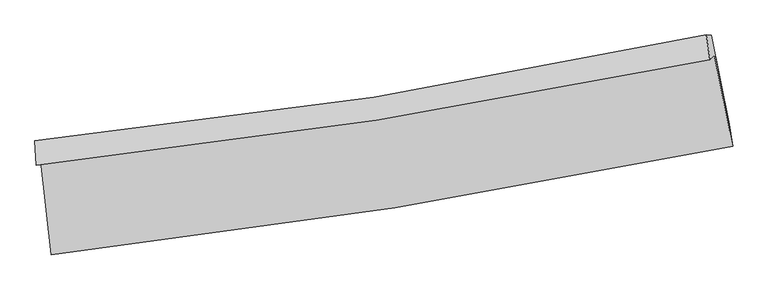
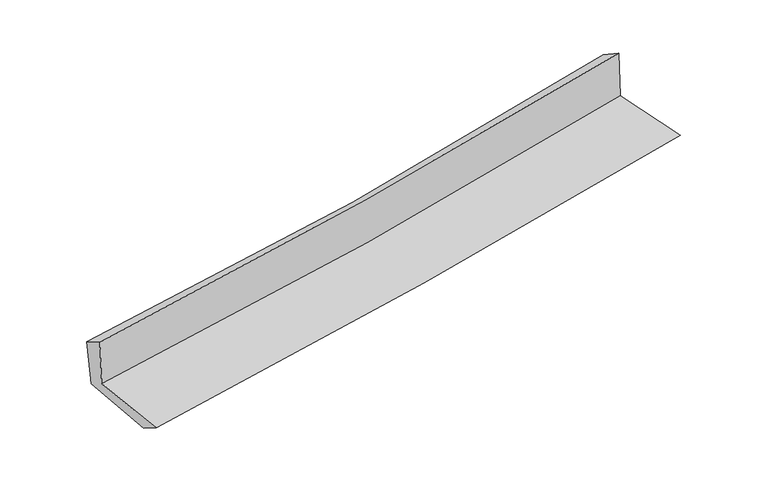
"""IFC4 building model written with IfcOpenShell, lengths in millimetres: proxy geometry."""

from ifc_helpers import new_model, si_unit, frame, origin, place, context, project, spatial, source, transform, mapped, element, save
from ifc_brep_helpers import plane_surface, spline_curve, spline_surface, advanced_brep


def generic_models_bc821981(model_context):
    return source(origin(), model_context, "Body", "AdvancedBrep", [
        advanced_brep(
        [(-2469.9493527, -1860.8286255, 1662.16081), (-2394.4047549, -2538.7852991, 1645.2431947), (2540.3043576, -1755.0220992, 2089.6020595), (2407.9513815, -1094.6524234, 2092.8133752), (-2502.4690721, -1892.6143606, 2066.7129736), (2375.5877257, -1127.4141, 2507.4033202), (-2513.028154, -1714.3055719, 1966.5165511), (2350.4314031, -947.6569733, 2392.4597619), (-2477.5598674, -1722.0044729, 1577.2910958), (2386.5866767, -950.9921681, 2014.3752898), (-2403.8413254, -2368.288207, 1542.0186479), (2517.9065736, -1595.1790024, 1987.6943644)],
        [
            (0, 1),
            (1, 2, spline_curve(3, [(-2394.4047549, -2538.7852991, 1645.2431947), (-1562.468061392, -2444.44424643, 1728.46386759), (-732.911217312, -2331.475655228, 1807.292866518), (911.937439275, -2069.795606161, 1955.312136217), (1727.28363272, -1921.50979721, 2024.602758748), (2540.3043576, -1755.0220992, 2089.6020595)], [4, 2, 4], [0.0, 8.230168269867502, 16.365761270388603])),
            (2, 3),
            (3, 0, spline_curve(3, [(2407.9513815, -1094.6524234, 2092.8133752), (1606.444777529, -1267.340514734, 2027.000259419), (801.568389016, -1417.295742709, 1958.429406802), (-824.319720306, -1673.21941565, 1814.943041103), (-1645.410243064, -1778.656255205, 1739.963038856), (-2469.9493527, -1860.8286255, 1662.16081)], [4, 2, 4], [0.0, 8.135593000521101, 16.365761270388603])),
            (4, 0),
            (3, 5),
            (5, 4, spline_curve(3, [(2375.5877257, -1127.4141, 2507.4033202), (1572.977843011, -1293.217686508, 2440.253548986), (767.533771617, -1439.630378323, 2370.183664557), (-858.418883709, -1695.150586071, 2223.355168681), (-1678.993744992, -1803.804647541, 2146.528271075), (-2502.4690721, -1892.6143606, 2066.7129736)], [4, 2, 4], [0.0, 8.08770037660659, 16.269419276689163])),
            (6, 4),
            (5, 7),
            (7, 6, spline_curve(3, [(2350.4314031, -947.6569733, 2392.4597619), (1552.462288517, -1121.626945123, 2318.812018887), (750.554428564, -1272.265729502, 2246.689138359), (-870.506649769, -1528.360859883, 2104.672409355), (-1689.751975633, -1633.271608153, 2034.814219662), (-2513.028154, -1714.3055719, 1966.5165511)], [4, 2, 4], [0.0, 8.075889717402509, 16.245660660818444])),
            (8, 6),
            (7, 9),
            (9, 8, spline_curve(3, [(2386.5866767, -950.9921681, 2014.3752898), (1587.844707245, -1126.777019116, 1948.446809221), (785.491597399, -1278.687938756, 1879.288148546), (-835.806137809, -1536.250329707, 1733.668954464), (-1654.835209518, -1641.343511653, 1657.132884019), (-2477.5598674, -1722.0044729, 1577.2910958)], [4, 2, 4], [0.0, 8.065956656227328, 16.225679067851985])),
            (10, 8),
            (9, 11),
            (11, 10, spline_curve(3, [(2517.9065736, -1595.1790024, 1987.6943644), (1707.605874254, -1761.835028737, 1919.533942263), (894.695206769, -1909.327886951, 1848.545152004), (-745.826392393, -2167.479083531, 1700.052721003), (-1573.498357675, -2277.68929372, 1622.482938814), (-2403.8413254, -2368.288207, 1542.0186479)], [4, 2, 4], [0.0, 8.114290953656173, 16.322909542980444])),
            (1, 10),
            (11, 2),
        ],
        [
            spline_surface(3, 3, [[(-2469.9493527, -1860.8286255, 1662.16081), (-1645.410243128, -1778.656255115, 1739.96303873), (-824.319720318, -1673.21941565, 1814.943041108), (801.568389028, -1417.295742709, 1958.429406797), (1606.44477762, -1267.340514832, 2027.000259475), (2407.9513815, -1094.6524234, 2092.8133752)], [(-2444.767820099, -2086.814183359, 1656.521604893), (-1617.762849234, -2000.585585509, 1736.12998166), (-793.850219324, -1892.638162189, 1812.392982956), (838.358072454, -1634.795697167, 1957.390316582), (1646.724395971, -1485.396942281, 2026.201092517), (2452.069040176, -1314.775648667, 2091.742936615)], [(-2419.586287501, -2312.799741241, 1650.882399807), (-1590.115455343, -2222.514915927, 1732.296924613), (-763.380718334, -2112.056908747, 1809.842924771), (875.147755876, -1852.295651645, 1956.351226333), (1687.004014395, -1703.453369729, 2025.401925614), (2496.186698924, -1534.898873933, 2090.672498085)], [(-2394.4047549, -2538.7852991, 1645.2431947), (-1562.468061449, -2444.444246321, 1728.463867544), (-732.91121734, -2331.475655286, 1807.292866619), (911.937439302, -2069.795606103, 1955.312136118), (1727.283632745, -1921.509797179, 2024.602758655), (2540.3043576, -1755.0220992, 2089.6020595)]], [4, 4], [4, 2, 4], [0.0, 2.175645469490443], [0.0, 8.230168269867502, 16.365761270388603]),
            spline_surface(3, 3, [[(-2502.4690721, -1892.6143606, 2066.7129736), (-1678.993745025, -1803.804647524, 2146.528271134), (-858.41888374, -1695.150585949, 2223.355168785), (767.533771648, -1439.630378443, 2370.183664454), (1572.977842997, -1293.217686475, 2440.253548992), (2375.5877257, -1127.4141, 2507.4033202)], [(-2491.629165625, -1882.019115572, 1931.862252398), (-1667.799244384, -1795.421850059, 2011.006526997), (-847.052495937, -1687.84019585, 2087.217792877), (778.878644103, -1432.185499866, 2232.932245219), (1584.133487895, -1284.591962581, 2302.502452484), (2386.375610991, -1116.493541121, 2369.206671864)], [(-2480.789259175, -1871.423870528, 1797.011531202), (-1656.604743768, -1787.039052579, 1875.484782867), (-835.686108121, -1680.529805749, 1951.080417016), (790.223516572, -1424.740621286, 2095.680826032), (1595.289132722, -1275.966238725, 2164.751355984), (2397.163496209, -1105.572982279, 2231.010023536)], [(-2469.9493527, -1860.8286255, 1662.16081), (-1645.410243128, -1778.656255115, 1739.96303873), (-824.319720318, -1673.21941565, 1814.943041108), (801.568389028, -1417.295742709, 1958.429406797), (1606.44477762, -1267.340514832, 2027.000259475), (2407.9513815, -1094.6524234, 2092.8133752)]], [4, 4], [4, 2, 4], [0.0, 1.3519398294231708], [0.0, 8.181718900082574, 16.269419276689163]),
            spline_surface(3, 3, [[(-2513.028154, -1714.3055719, 1966.5165511), (-1689.751975682, -1633.27160803, 2034.814219566), (-870.506649875, -1528.360859776, 2104.672409353), (750.554428668, -1272.265729608, 2246.68913836), (1552.462288601, -1121.626945011, 2318.812018854), (2350.4314031, -947.6569733, 2392.4597619)], [(-2509.508460037, -1773.741834796, 1999.915358608), (-1686.1658988, -1690.115954524, 2072.052236764), (-866.477394489, -1583.957435157, 2144.233329157), (756.214209669, -1328.053945877, 2287.853980384), (1559.300806732, -1178.823858842, 2359.29252892), (2358.816843966, -1007.576015543, 2430.774281354)], [(-2505.988766063, -1833.178097704, 2033.314166092), (-1682.579821907, -1746.960301029, 2109.290253936), (-862.448139126, -1639.554010568, 2183.794248982), (761.873990647, -1383.842162175, 2329.01882243), (1566.139324866, -1236.020772644, 2399.773038926), (2367.202284834, -1067.495057757, 2469.088800746)], [(-2502.4690721, -1892.6143606, 2066.7129736), (-1678.993745025, -1803.804647524, 2146.528271134), (-858.41888374, -1695.150585949, 2223.355168785), (767.533771648, -1439.630378443, 2370.183664454), (1572.977842997, -1293.217686475, 2440.253548992), (2375.5877257, -1127.4141, 2507.4033202)]], [4, 4], [4, 2, 4], [0.0, 0.6785855102561864], [0.0, 8.169770943415935, 16.245660660818444]),
            spline_surface(3, 3, [[(-2477.5598674, -1722.0044729, 1577.2910958), (-1654.835209456, -1641.343511604, 1657.132884072), (-835.806137824, -1536.250329687, 1733.668954553), (785.491597414, -1278.687938775, 1879.288148459), (1587.844707159, -1126.777019099, 1948.446809325), (2386.5866767, -950.9921681, 2014.3752898)], [(-2489.382629583, -1719.438172577, 1707.032914239), (-1666.474131514, -1638.65287709, 1783.026662575), (-847.372975178, -1533.620506396, 1857.336772839), (773.845874495, -1276.547202398, 2001.755145112), (1576.050567642, -1125.060327742, 2071.901879174), (2374.534918836, -949.880436505, 2140.403447172)], [(-2501.205391817, -1716.871872223, 1836.774732661), (-1678.113053624, -1635.962242544, 1908.920441063), (-858.93981252, -1530.990683068, 1981.004591067), (762.200151588, -1274.406465985, 2124.222141708), (1564.256428118, -1123.343636369, 2195.356949005), (2362.483160964, -948.768704895, 2266.431604528)], [(-2513.028154, -1714.3055719, 1966.5165511), (-1689.751975682, -1633.27160803, 2034.814219566), (-870.506649875, -1528.360859776, 2104.672409353), (750.554428668, -1272.265729608, 2246.68913836), (1552.462288601, -1121.626945011, 2318.812018854), (2350.4314031, -947.6569733, 2392.4597619)]], [4, 4], [4, 2, 4], [0.0, 1.2169642862754118], [0.0, 8.159722411624657, 16.225679067851985]),
            spline_surface(3, 3, [[(-2403.8413254, -2368.288207, 1542.0186479), (-1573.498357782, -2277.689293693, 1622.482938866), (-745.826392399, -2167.479083663, 1700.052720967), (894.695206775, -1909.327886821, 1848.54515204), (1707.605874387, -1761.835028695, 1919.533942141), (2517.9065736, -1595.1790024, 1987.6943644)], [(-2428.414172746, -2152.860295624, 1553.776130521), (-1600.610641686, -2065.574032987, 1634.032920589), (-775.819640894, -1957.069499005, 1711.258132143), (858.294003634, -1699.114570806, 1858.792817494), (1667.685485291, -1550.149025505, 1929.171564534), (2474.133274613, -1380.450057642, 1996.588006199)], [(-2452.987020054, -1937.432384276, 1565.533613179), (-1627.722925552, -1853.45877231, 1645.582902348), (-805.812889328, -1746.659914345, 1722.463543376), (821.892800555, -1488.90125479, 1869.040483005), (1627.765096255, -1338.463022289, 1938.809186932), (2430.359975687, -1165.721112858, 2005.481648001)], [(-2477.5598674, -1722.0044729, 1577.2910958), (-1654.835209456, -1641.343511604, 1657.132884072), (-835.806137824, -1536.250329687, 1733.668954553), (785.491597414, -1278.687938775, 1879.288148459), (1587.844707159, -1126.777019099, 1948.446809325), (2386.5866767, -950.9921681, 2014.3752898)]], [4, 4], [4, 2, 4], [0.0, 2.0982402501765245], [0.0, 8.20861858932427, 16.322909542980444]),
            spline_surface(3, 3, [[(-2394.4047549, -2538.7852991, 1645.2431947), (-1562.468061449, -2444.444246321, 1728.463867544), (-732.91121734, -2331.475655286, 1807.292866619), (911.937439302, -2069.795606103, 1955.312136118), (1727.283632745, -1921.509797179, 2024.602758655), (2540.3043576, -1755.0220992, 2089.6020595)], [(-2397.55027841, -2481.952935072, 1610.835012441), (-1566.144826903, -2388.859262117, 1693.136891326), (-737.216275673, -2276.810131415, 1771.546151413), (906.19002848, -2016.306366346, 1919.723141437), (1720.724379978, -1868.284874338, 1989.579819814), (2532.838429619, -1701.74106692, 2055.632827797)], [(-2400.69580189, -2425.120571028, 1576.426830159), (-1569.821592328, -2333.274277897, 1657.809915084), (-741.521334066, -2222.144607534, 1735.799436173), (900.442617597, -1962.817126579, 1884.134146721), (1714.165127154, -1815.059951535, 1954.556880983), (2525.372501581, -1648.46003468, 2021.663596103)], [(-2403.8413254, -2368.288207, 1542.0186479), (-1573.498357782, -2277.689293693, 1622.482938866), (-745.826392399, -2167.479083663, 1700.052720967), (894.695206775, -1909.327886821, 1848.54515204), (1707.605874387, -1761.835028695, 1919.533942141), (2517.9065736, -1595.1790024, 1987.6943644)]], [4, 4], [4, 2, 4], [0.0, 0.6395774072419846], [0.0, 8.26721176309569, 16.439422579236126]),
            plane_surface(frame((2429.7946864, -1245.1527944, 2180.7246952), z_axis=(0.9764596950506476, 0.19525883987682793, 0.0916539654982354), x_axis=(-0.09518956954967919, 0.008780897619933264, 0.9954204346334945))),
            plane_surface(frame((-2460.2087544, -2016.1377562, 1743.3238789), z_axis=(-0.9902244455677253, -0.10814222435190411, -0.08809544092808422), x_axis=(-0.1107103761045021, 0.9935434233035654, 0.024792713305163208))),
        ],
        [
            (0, [[1, 2, 3, 4]]),
            (1, [[5, -4, 6, 7]]),
            (2, [[8, -7, 9, 10]]),
            (3, [[11, -10, 12, 13]]),
            (4, [[14, -13, 15, 16]]),
            (5, [[17, -16, 18, -2]]),
            (6, [[-12, -9, -6, -3, -18, -15]]),
            (7, [[-1, -5, -8, -11, -14, -17]]),
        ],
    ),
    ])


if __name__ == "__main__":
    model = new_model("IFC4")
    model_context = context("Model", 3, world=origin())
    ifc_project = project(units=[si_unit("LENGTHUNIT", "METRE", prefix="MILLI")], contexts=[model_context])
    site = spatial("IfcSite", under=ifc_project)
    building = spatial("IfcBuilding", under=site)
    placement = place(None, origin())
    generic_models_shape = generic_models_bc821981(model_context)
    element("IfcBuildingElementProxy", 1, Name="Generic Models", at=placement, inside=building, context=model_context, shape_type="MappedRepresentation", body=[
        mapped(generic_models_shape, transform((0.0, 0.0, 0.0), x_axis=(1.0, 0.0, 0.0), y_axis=(0.0, 1.0, 0.0), z_axis=(0.0, 0.0, 1.0))),
    ])
    save(model, "model.ifc")
